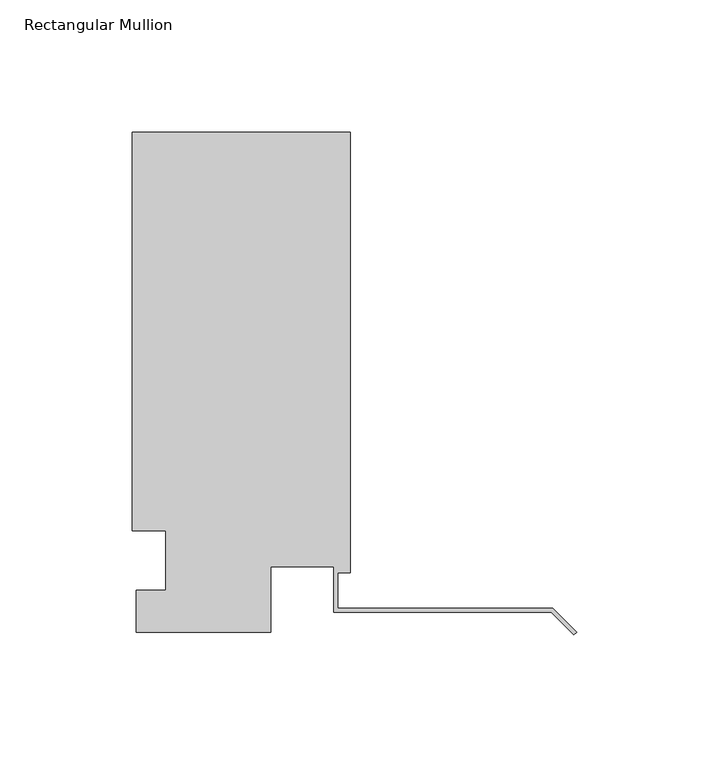
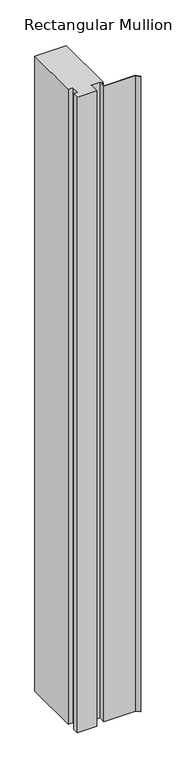
"""IFC4 building model written with IfcOpenShell, lengths in millimetres: member geometry, Rectangular Mullion."""

from ifc_helpers import new_model, si_unit, frame, origin, place, context, project, spatial, polyline, outline, extrude, source, transform, mapped, element, save


def rectangular_mullion_08bb52b0(model_context):
    return source(origin(), model_context, "Body", "SweptSolid", [
        extrude(outline(polyline([(-166.5396311, -0.3532188), (-166.5396311, 15.5217812), (-155.4144311, 15.5217812), (-155.4144311, 38.0007813), (-168.1144311, 38.0007813), (-168.1144311, 188.8132813), (-85.5771311, 188.8132813), (-85.5771311, 22.1257812), (-90.3396311, 22.1257812), (-90.3396311, 8.7383736), (-8.9802561, 8.7383736), (0.0, -0.2418825), (-1.122532, -1.3644146), (-9.6378202, 7.1508736), (-91.9271311, 7.1508736), (-91.9271311, 24.5133812), (-115.7396311, 24.5133812), (-115.7396311, -0.3532188), (-166.5396311, -0.3532188)])), frame((0.0, 0.0, -1760.4382813), z_axis=(0.0, 0.0, 1.0), x_axis=(1.0, 0.0, 0.0)), (0.0, 0.0, 1.0), 1760.4382813),
    ])


if __name__ == "__main__":
    model = new_model("IFC4")
    model_context = context("Model", 3, world=origin())
    ifc_project = project(units=[si_unit("LENGTHUNIT", "METRE", prefix="MILLI")], contexts=[model_context])
    site = spatial("IfcSite", under=ifc_project)
    building = spatial("IfcBuilding", under=site)
    placement = place(None, origin())
    rectangular_mullion_shape = rectangular_mullion_08bb52b0(model_context)
    element("IfcMember", 1, ObjectType="Rectangular Mullion", at=placement, inside=building, context=model_context, shape_type="MappedRepresentation", body=[
        mapped(rectangular_mullion_shape, transform((0.0, 0.0, 0.0), x_axis=(1.0, 0.0, 0.0), y_axis=(0.0, 1.0, 0.0), z_axis=(0.0, 0.0, 1.0))),
    ])
    save(model, "model.ifc")
